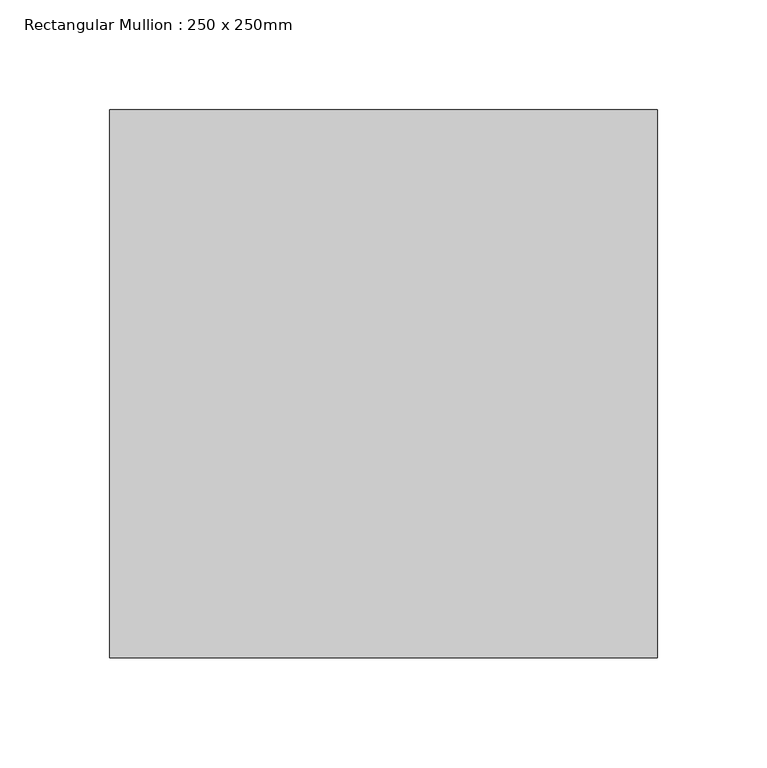
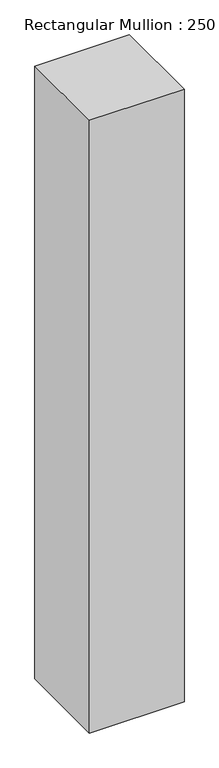
"""IFC4 building model written with IfcOpenShell, lengths in millimetres: member geometry, Rectangular Mullion : 250 x 250mm."""

from ifc_helpers import new_model, si_unit, frame, origin, place, context, project, spatial, polyline, outline, extrude, source, transform, mapped, element, save


def rectangular_mullion_250_x_250mm_ab1a9d77(model_context):
    return source(origin(), model_context, "Body", "SweptSolid", [
        extrude(outline(polyline([(0.0, 125.0), (0.0, -125.0), (-250.0, -125.0), (-250.0, 125.0), (0.0, 125.0)])), frame((0.0, 0.0, -1712.7085857), z_axis=(0.0, 0.0, 1.0), x_axis=(1.0, 0.0, 0.0)), (0.0, 0.0, 1.0), 1712.7085857),
    ])


if __name__ == "__main__":
    model = new_model("IFC4")
    model_context = context("Model", 3, world=origin())
    ifc_project = project(units=[si_unit("LENGTHUNIT", "METRE", prefix="MILLI")], contexts=[model_context])
    site = spatial("IfcSite", under=ifc_project)
    building = spatial("IfcBuilding", under=site)
    placement = place(None, origin())
    rectangular_mullion_250_x_250mm_shape = rectangular_mullion_250_x_250mm_ab1a9d77(model_context)
    element("IfcMember", 1, ObjectType="Rectangular Mullion : 250 x 250mm", at=placement, inside=building, context=model_context, shape_type="MappedRepresentation", body=[
        mapped(rectangular_mullion_250_x_250mm_shape, transform((0.0, 0.0, 0.0), x_axis=(1.0, 0.0, 0.0), y_axis=(0.0, 1.0, 0.0), z_axis=(0.0, 0.0, 1.0))),
    ])
    save(model, "model.ifc")
